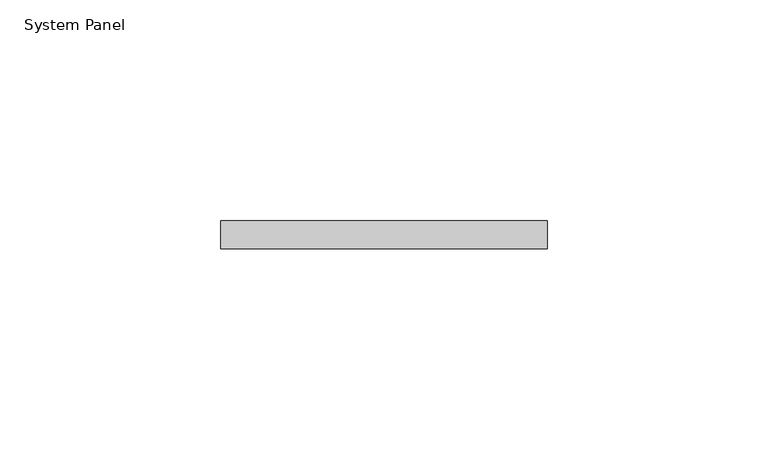
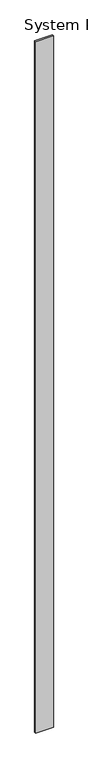
"""IFC4 building model written with IfcOpenShell, lengths in millimetres: plate geometry, System Panel."""

from ifc_helpers import new_model, si_unit, origin, origin_with_axes, place, context, project, spatial, polyline, outline, extrude, source, transform, mapped, element, save


def system_panel_c9fcfd86(model_context):
    return source(origin(), model_context, "Body", "SweptSolid", [
        extrude(outline(polyline([(36.9574369, 0.0), (-36.9574369, 0.0), (-36.9574369, 6.35), (36.9574369, 6.35), (36.9574369, 0.0)])), origin_with_axes(), (0.0, 0.0, 1.0), 3048.0),
    ])


if __name__ == "__main__":
    model = new_model("IFC4")
    model_context = context("Model", 3, world=origin())
    ifc_project = project(units=[si_unit("LENGTHUNIT", "METRE", prefix="MILLI")], contexts=[model_context])
    site = spatial("IfcSite", under=ifc_project)
    building = spatial("IfcBuilding", under=site)
    placement = place(None, origin())
    system_panel_shape = system_panel_c9fcfd86(model_context)
    element("IfcPlate", 1, ObjectType="System Panel", at=placement, inside=building, context=model_context, shape_type="MappedRepresentation", body=[
        mapped(system_panel_shape, transform((0.0, 0.0, 0.0), x_axis=(1.0, 0.0, 0.0), y_axis=(0.0, 1.0, 0.0), z_axis=(0.0, 0.0, 1.0))),
    ])
    save(model, "model.ifc")
